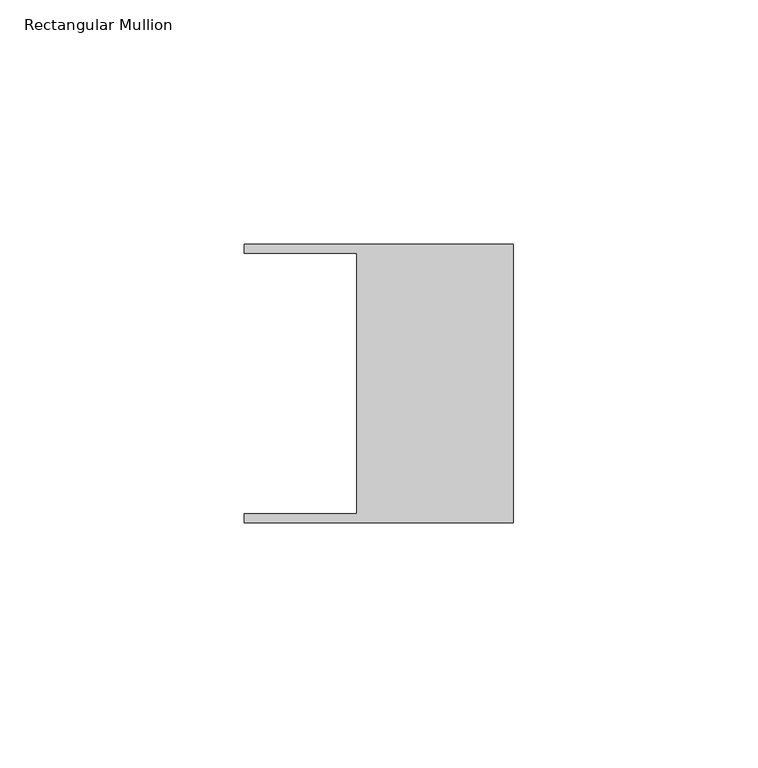
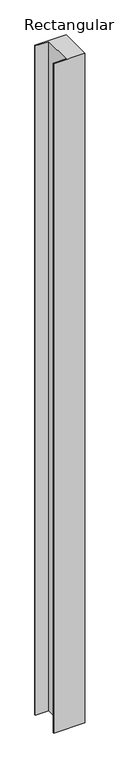
"""IFC4 building model written with IfcOpenShell, lengths in millimetres: member geometry, Rectangular Mullion."""

from ifc_helpers import new_model, si_unit, frame, origin, place, context, project, spatial, polyline, outline, extrude, source, transform, mapped, element, save


def rectangular_mullion_feed8caa(model_context):
    return source(origin(), model_context, "Body", "SweptSolid", [
        extrude(outline(polyline([(-32.004, -26.67), (-32.004, 26.67), (-54.991, 26.67), (-54.991, 28.448), (0.0, 28.448), (0.0, -28.448), (-54.991, -28.448), (-54.991, -26.67), (-32.004, -26.67)])), frame((0.0, 0.0, -1244.6), z_axis=(0.0, 0.0, 1.0), x_axis=(1.0, 0.0, 0.0)), (0.0, 0.0, 1.0), 1244.6),
    ])


if __name__ == "__main__":
    model = new_model("IFC4")
    model_context = context("Model", 3, world=origin())
    ifc_project = project(units=[si_unit("LENGTHUNIT", "METRE", prefix="MILLI")], contexts=[model_context])
    site = spatial("IfcSite", under=ifc_project)
    building = spatial("IfcBuilding", under=site)
    placement = place(None, origin())
    rectangular_mullion_shape = rectangular_mullion_feed8caa(model_context)
    element("IfcMember", 1, ObjectType="Rectangular Mullion", at=placement, inside=building, context=model_context, shape_type="MappedRepresentation", body=[
        mapped(rectangular_mullion_shape, transform((0.0, 0.0, 0.0), x_axis=(1.0, 0.0, 0.0), y_axis=(0.0, 1.0, 0.0), z_axis=(0.0, 0.0, 1.0))),
    ])
    save(model, "model.ifc")
